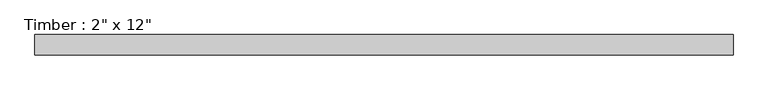
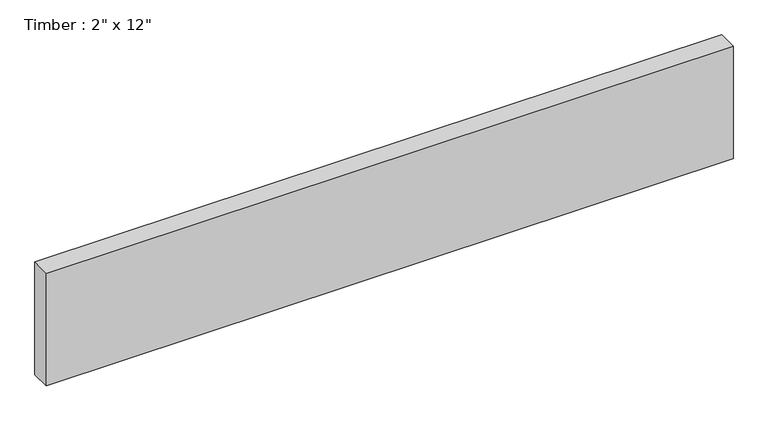
"""IFC4 building model written with IfcOpenShell, lengths in millimetres: beam geometry."""

from ifc_helpers import new_model, si_unit, frame, origin, place, context, project, spatial, polyline, outline, extrude, source, transform, mapped, element, save


def beam_62594adb(model_context):
    return source(origin(), model_context, "Body", "SweptSolid", [
        extrude(outline(polyline([(845.768726, 25.4), (845.768726, -25.4), (-911.2251465, -25.4), (-911.2251465, 25.4), (845.768726, 25.4)])), frame((0.0, 0.0, -152.4), z_axis=(0.0, 0.0, 1.0), x_axis=(1.0, 0.0, 0.0)), (0.0, 0.0, 1.0), 304.8),
    ])


if __name__ == "__main__":
    model = new_model("IFC4")
    model_context = context("Model", 3, world=origin())
    ifc_project = project(units=[si_unit("LENGTHUNIT", "METRE", prefix="MILLI")], contexts=[model_context])
    site = spatial("IfcSite", under=ifc_project)
    building = spatial("IfcBuilding", under=site)
    placement = place(None, origin())
    beam_shape = beam_62594adb(model_context)
    element("IfcBeam", 1, ObjectType="Timber : 2\" x 12\"", at=placement, inside=building, context=model_context, shape_type="MappedRepresentation", body=[
        mapped(beam_shape, transform((0.0, 0.0, 0.0), x_axis=(1.0, 0.0, 0.0), y_axis=(0.0, 1.0, 0.0), z_axis=(0.0, 0.0, 1.0))),
    ])
    save(model, "model.ifc")
